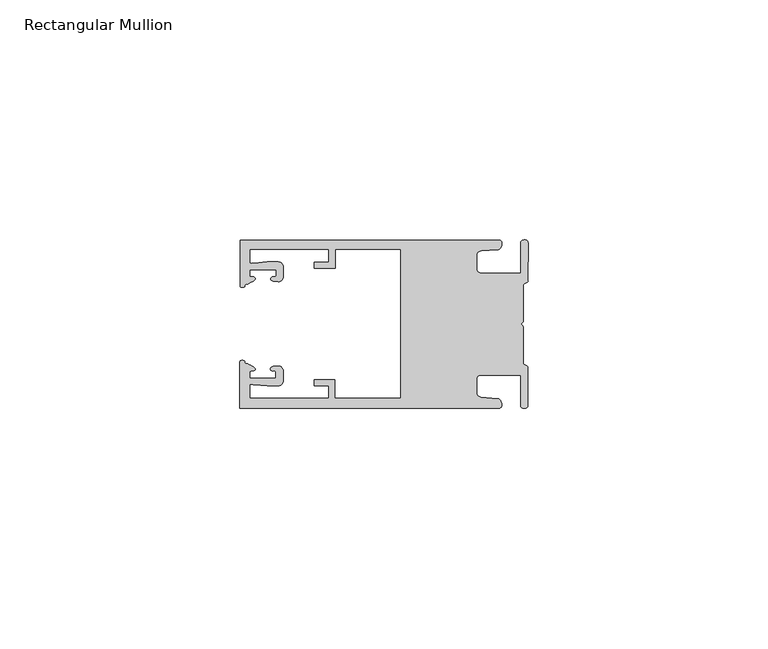
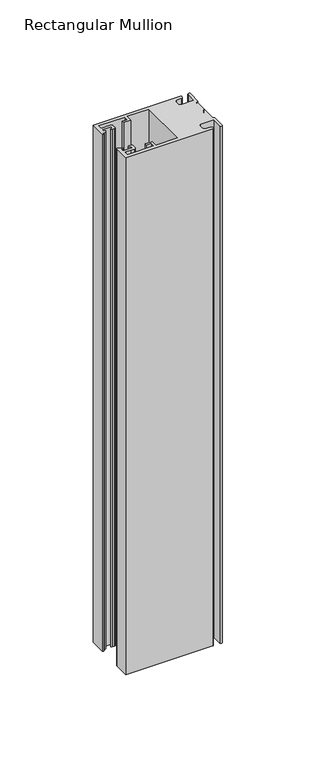
"""IFC4 building model written with IfcOpenShell, lengths in millimetres: member geometry, Rectangular Mullion."""

from ifc_helpers import new_model, si_unit, frame, origin, place, context, project, spatial, circle_curve, source, transform, mapped, element, save
from ifc_brep_helpers import plane_surface, cylinder_surface, extruded_surface, spline_curve, advanced_brep


def rectangular_mullion_0d8bb49c(model_context):
    return source(origin(), model_context, "Body", "AdvancedBrep", [
        advanced_brep(
        [(-60.0749377, 17.5111528, 0.0), (-60.0749377, 8.0140787, 0.0), (-59.3252567, 7.7187455, 0.0), (-58.4967974, 8.36785, 0.0), (-58.0726619, 10.1173923, 0.0), (-58.0713101, 11.3673916, 0.0), (-52.5713133, 11.3614437, 0.0), (-52.5726651, 10.1114444, 0.0), (-53.1427626, 8.8955539, 0.0), (-52.0740172, 8.8609044, 0.0), (-51.0729364, 9.8598224, 0.0), (-51.0706653, 11.9598211, 0.0), (-52.0700692, 12.9609024, 0.0), (-54.3905105, 12.9622843, 0.0), (-57.1599646, 12.7230061, 0.0), (-58.0696339, 12.9173907, 0.0), (-58.066768, 15.5673891, 0.0), (-41.5667584, 15.5673891, 0.0), (-41.5695894, 12.9495468, 0.0), (-44.5695877, 12.9527912, 0.0), (-44.5709936, 11.6527919, 0.0), (-40.2709961, 11.6481417, 0.0), (-40.2667576, 15.5673891, 0.0), (-26.6002952, 15.5673891, 0.0), (-26.6002952, -15.4518424, 0.0), (-40.3003032, -15.4518424, 0.0), (-40.2960856, -11.5518447, 0.0), (-44.5960831, -11.5471945, 0.0), (-44.597489, -12.8471938, 0.0), (-41.5974907, -12.8504381, 0.0), (-41.6003025, -15.4504366, 0.0), (-58.1002928, -15.4325927, 0.0), (-58.097427, -12.7825943, 0.0), (-57.1873395, -12.5901776, 0.0), (-54.4184094, -12.8354453, 0.0), (-52.0979705, -12.8390822, 0.0), (-51.0964037, -11.8401649, 0.0), (-51.0941327, -9.7401662, 0.0), (-52.0930507, -8.7390853, 0.0), (-53.1618685, -8.7714231, 0.0), (-52.5944022, -9.9885439, 0.0), (-52.595754, -11.2385431, 0.0), (-58.0957508, -11.2325952, 0.0), (-58.094399, -9.9825959, 0.0), (-58.5147494, -8.2321403, 0.0), (-59.3418028, -7.5812455, 0.0), (-60.0921208, -7.8749565, 0.0), (-60.0921208, -17.4888267, 0.0), (-6.1024861, -17.4888267, 0.0), (-6.5218639, -15.488372, 0.0), (-9.8784944, -15.2205466, 0.0), (-10.7989567, -14.2226333, 0.0), (-10.7961029, -11.5837474, 0.0), (-9.8734844, -10.5878272, 0.0), (-1.5950266, -10.5934991, 0.0), (-1.601948, -16.9936935, 0.0), (-0.1017194, -16.7830581, 0.0), (-0.0933208, -9.0170082, 0.0), (-1.0923837, -8.1499018, 0.0), (-1.0842165, -0.5977972, 0.0), (-1.0829111, 0.6093089, 0.0), (-1.0747439, 8.1614135, 0.0), (-0.0738079, 9.026357, 0.0), (-0.0654093, 16.7924069, 0.0), (-1.5651789, 17.0062866, 0.0), (-1.5651789, 10.6183257, 0.0), (-9.8505511, 10.6183257, 0.0), (-10.7710133, 11.6162391, 0.0), (-10.7681595, 14.255125, 0.0), (-9.845541, 15.2510452, 0.0), (-6.4883391, 15.5116099, 0.0), (-6.0646356, 17.5111528, 0.0), (-60.0749377, 17.5111528, -339.0), (-6.0646356, 17.5111528, -339.0), (-6.4883391, 15.5116099, -339.0), (-9.845541, 15.2510452, -339.0), (-10.7681595, 14.255125, -339.0), (-10.7710133, 11.6162391, -339.0), (-9.8505511, 10.6183257, -339.0), (-1.5651789, 10.6183257, -339.0), (-1.5651789, 17.0062866, -339.0), (-0.0654093, 16.7924069, -339.0), (-0.0738079, 9.026357, -339.0), (-1.0747439, 8.1614135, -339.0), (-1.0829111, 0.6093089, -339.0), (-1.0842165, -0.5977972, -339.0), (-1.0923837, -8.1499018, -339.0), (-0.0933208, -9.0170082, -339.0), (-0.1017194, -16.7830581, -339.0), (-1.601948, -16.9936935, -339.0), (-1.5950266, -10.5934991, -339.0), (-9.8734844, -10.5878272, -339.0), (-10.7961029, -11.5837474, -339.0), (-10.7989567, -14.2226333, -339.0), (-9.8784944, -15.2205466, -339.0), (-6.5218639, -15.488372, -339.0), (-6.1024861, -17.4888267, -339.0), (-60.0921208, -17.4888267, -339.0), (-60.0921208, -7.8749565, -339.0), (-59.3418028, -7.5812455, -339.0), (-58.5147494, -8.2321403, -339.0), (-58.094399, -9.9825959, -339.0), (-58.0957508, -11.2325952, -339.0), (-52.595754, -11.2385431, -339.0), (-52.5944022, -9.9885439, -339.0), (-53.1618685, -8.7714231, -339.0), (-52.0930507, -8.7390853, -339.0), (-51.0941327, -9.7401662, -339.0), (-51.0964037, -11.8401649, -339.0), (-52.0979705, -12.8390823, -339.0), (-54.4184094, -12.8354453, -339.0), (-57.1873395, -12.5901776, -339.0), (-58.097427, -12.7825943, -339.0), (-58.1002928, -15.4325927, -339.0), (-41.6003025, -15.4504366, -339.0), (-41.5974907, -12.8504381, -339.0), (-44.597489, -12.8471938, -339.0), (-44.5960831, -11.5471945, -339.0), (-40.2960856, -11.5518447, -339.0), (-40.3003032, -15.4518424, -339.0), (-26.6002952, -15.4518424, -339.0), (-26.6002952, 15.5673891, -339.0), (-40.2667576, 15.5673891, -339.0), (-40.2709961, 11.6481417, -339.0), (-44.5709936, 11.6527919, -339.0), (-44.5695877, 12.9527912, -339.0), (-41.5695894, 12.9495468, -339.0), (-41.5667584, 15.5673891, -339.0), (-58.066768, 15.5673891, -339.0), (-58.0696339, 12.9173907, -339.0), (-57.1599646, 12.7230061, -339.0), (-54.3905105, 12.9622843, -339.0), (-52.0700692, 12.9609023, -339.0), (-51.0706653, 11.9598211, -339.0), (-51.0729364, 9.8598224, -339.0), (-52.0740172, 8.8609044, -339.0), (-53.1427626, 8.8955539, -339.0), (-52.5726651, 10.1114444, -339.0), (-52.5713133, 11.3614437, -339.0), (-58.0713101, 11.3673916, -339.0), (-58.0726619, 10.1173923, -339.0), (-58.4967974, 8.36785, -339.0), (-59.3252567, 7.7187455, -339.0), (-60.0749377, 8.0140787, -339.0)],
        [
            (0, 1),
            (1, 2, spline_curve(3, [(-60.0749377, 8.0140787, 0.0), (-60.075233123, 7.740904774, 0.0), (-59.825339491, 7.642460332, 0.0), (-59.3252567, 7.7187455, 0.0)], [4, 4], [0.0, 0.0019169337574178654])),
            (2, 3, spline_curve(3, [(-59.3252567, 7.7187455, 0.0), (-59.094460914, 7.75918372, 0.0), (-59.054835463, 7.902257199, 0.0), (-59.05559987, 8.233305614, 0.0), (-59.138729113, 8.4134359, 0.0), (-58.4967974, 8.36785, 0.0)], [4, 2, 4], [0.0, 0.0010199524164107188, 0.0024874514725970356])),
            (3, 4, spline_curve(3, [(-58.4967974, 8.36785, 0.0), (-57.022393378, 9.053435667, 0.0), (-56.827266887, 9.364828726, 0.0), (-56.982213078, 9.742623404, 0.0), (-57.177375211, 9.855581791, 0.0), (-57.697928101, 9.887955071, 0.0), (-57.997449153, 9.835475348, 0.0), (-58.0726619, 10.1173923, 0.0)], [4, 2, 2, 4], [0.0, 0.003269869179570428, 0.005490050486237203, 0.0073545767114364426])),
            (4, 5),
            (5, 6),
            (6, 7),
            (7, 8, spline_curve(3, [(-52.5726651, 10.1114444, 0.0), (-52.667195519, 9.760172042, 0.0), (-52.937094388, 9.861877724, 0.0), (-53.356237032, 9.895631753, 0.0), (-53.491940439, 9.811038713, 0.0), (-53.761900775, 9.511438033, 0.0), (-53.892893546, 9.278787104, 0.0), (-53.1427626, 8.8955539, 0.0)], [4, 2, 2, 4], [0.0, 0.001593963049934732, 0.0033360256320283306, 0.005339140673503943])),
            (8, 9),
            (9, 10, circle_curve(frame((-52.0729358, 9.8609038, 0.0), z_axis=(0.0, 0.0, 1.0), x_axis=(-0.0010814451158600304, -0.9999994152380598, 0.0)), 1.0)),
            (10, 11),
            (11, 12, circle_curve(frame((-52.0706647, 11.9609026, 0.0), z_axis=(0.0, 0.0, 1.0), x_axis=(-0.0010814451158600304, -0.9999994152380598, 0.0)), 1.0)),
            (12, 13),
            (13, 14),
            (14, 15, spline_curve(3, [(-57.1599646, 12.7230061, 0.0), (-57.631533854, 12.682262968, 0.0), (-58.018602985, 12.477800124, 0.0), (-58.0696339, 12.9173907, 0.0)], [4, 4], [0.0, 0.0014803385355886016])),
            (15, 16),
            (16, 17),
            (17, 18),
            (18, 19),
            (19, 20),
            (20, 21),
            (21, 22),
            (22, 23),
            (23, 24),
            (24, 25),
            (25, 26),
            (26, 27),
            (27, 28),
            (28, 29),
            (29, 30),
            (30, 31),
            (31, 32),
            (32, 33, spline_curve(3, [(-58.097427, -12.7825943, 0.0), (-58.045445419, -12.343115126, 0.0), (-57.658819528, -12.548414611, 0.0), (-57.1873395, -12.5901776, 0.0)], [4, 4], [0.0, 0.0014803385355886016])),
            (33, 34),
            (34, 35),
            (35, 36, circle_curve(frame((-52.0964031, -11.8390835, 0.0), z_axis=(0.0, 0.0, 1.0), x_axis=(0.0010814451158600304, 0.9999994152380598, 0.0)), 1.0)),
            (36, 37),
            (37, 38, circle_curve(frame((-52.0941321, -9.7390847, 0.0), z_axis=(0.0, 0.0, 1.0), x_axis=(0.0010814451158600304, 0.9999994152380598, 0.0)), 1.0)),
            (38, 39),
            (39, 40, spline_curve(3, [(-53.1618685, -8.7714231, 0.0), (-53.912826582, -9.153032958, 0.0), (-53.782337352, -9.385966711, 0.0), (-53.51302565, -9.686150585, 0.0), (-53.377505444, -9.771037009, 0.0), (-52.958290774, -9.738189618, 0.0), (-52.688172635, -9.637067904, 0.0), (-52.5944022, -9.9885439, 0.0)], [4, 2, 2, 4], [0.0, 0.002003115041475612, 0.0037451776235692107, 0.005339140673503943])),
            (40, 41),
            (41, 42),
            (42, 43),
            (43, 44, spline_curve(3, [(-58.094399, -9.9825959, 0.0), (-58.018576674, -9.700842284, 0.0), (-57.719169706, -9.753969703, 0.0), (-57.198548014, -9.722722397, 0.0), (-57.003142178, -9.61018632, 0.0), (-56.847379222, -9.232727657, 0.0), (-57.041831673, -8.920913336, 0.0), (-58.5147494, -8.2321403, 0.0)], [4, 2, 2, 4], [0.0, 0.0018645262251992395, 0.004084707531866015, 0.0073545767114364426])),
            (44, 45, spline_curve(3, [(-58.5147494, -8.2321403, 0.0), (-59.156778208, -8.276337666, 0.0), (-59.073259494, -8.096387681, 0.0), (-59.071779067, -7.765341694, 0.0), (-59.111095017, -7.622182811, 0.0), (-59.3418028, -7.5812455, 0.0)], [4, 2, 4], [0.0, 0.0014674990561863168, 0.0024874514725970356])),
            (45, 46, spline_curve(3, [(-59.3418028, -7.5812455, 0.0), (-59.841719425, -7.503878887, 0.0), (-60.091825377, -7.601782574, 0.0), (-60.0921208, -7.8749565, 0.0)], [4, 4], [0.0, 0.0019169337574178654])),
            (46, 47),
            (47, 48),
            (48, 49, spline_curve(3, [(-6.1024861, -17.4888267, 0.0), (-5.074532184, -17.418062188, 0.0), (-5.631140689, -15.411414367, 0.0), (-6.5218639, -15.488372, 0.0)], [4, 4], [0.0, 0.0043819361547461745])),
            (49, 50),
            (50, 51, spline_curve(3, [(-9.8784944, -15.2205466, 0.0), (-10.440691543, -15.150698463, 0.0), (-10.74751234, -14.818060727, 0.0), (-10.7989567, -14.2226333, 0.0)], [4, 4], [0.0, 0.0028645797420738927])),
            (51, 52),
            (52, 53, spline_curve(3, [(-10.7961029, -11.5837474, 0.0), (-10.743370817, -10.988432634, 0.0), (-10.435831301, -10.656459204, 0.0), (-9.8734844, -10.5878272, 0.0)], [4, 4], [0.0, 0.0028645797420738927])),
            (53, 54),
            (54, 55),
            (55, 56, spline_curve(3, [(-1.601948, -16.9936935, 0.0), (-1.655676874, -17.600261454, 0.0), (-0.043737403, -17.912795581, 0.0), (-0.1017194, -16.7830581, 0.0)], [4, 4], [0.0, 0.0036987374396357936])),
            (56, 57),
            (57, 58, spline_curve(3, [(-0.0933208, -9.0170082, 0.0), (-0.018818183, -8.695886697, 0.0), (-1.193434327, -8.459763043, 0.0), (-1.0923837, -8.1499018, 0.0)], [4, 4], [0.0, 0.002027216749630121])),
            (58, 59),
            (59, 60, spline_curve(3, [(-1.0842165, -0.5977972, 0.0), (-1.013223198, -0.445980437, 0.0), (-1.487945123, -0.206736825, 0.0), (-1.487409651, 0.231097965, 0.0), (-0.999110985, 0.429090391, 0.0), (-1.0829111, 0.6093089, 0.0)], [4, 2, 4], [0.0, 0.00249866671847065, 0.005031402919736269])),
            (60, 61),
            (61, 62, spline_curve(3, [(-1.0747439, 8.1614135, 0.0), (-1.175124095, 8.47149258, 0.0), (-7e-09, 8.705075107, 0.0), (-0.0738079, 9.026357, 0.0)], [4, 4], [0.0, 0.002027216749630121])),
            (62, 63),
            (63, 64, spline_curve(3, [(-0.0654093, 16.7924069, 0.0), (-0.004983942, 17.92201633, 0.0), (-1.617595709, 17.612969344, 0.0), (-1.5651789, 17.0062866, 0.0)], [4, 4], [0.0, 0.0036987374396357936])),
            (64, 65),
            (65, 66),
            (66, 67, spline_curve(3, [(-9.8505511, 10.6183257, 0.0), (-10.412748243, 10.688173837, 0.0), (-10.71956894, 11.020811673, 0.0), (-10.7710133, 11.6162391, 0.0)], [4, 4], [0.0, 0.0028645797420738927])),
            (67, 68),
            (68, 69, spline_curve(3, [(-10.7681595, 14.255125, 0.0), (-10.715427417, 14.850439766, 0.0), (-10.407887901, 15.182413196, 0.0), (-9.845541, 15.2510452, 0.0)], [4, 4], [0.0, 0.0028645797420738927])),
            (69, 70),
            (70, 71, spline_curve(3, [(-6.4883391, 15.5116099, 0.0), (-5.597784423, 15.432725911, 0.0), (-5.036837144, 17.438165103, 0.0), (-6.0646356, 17.5111528, 0.0)], [4, 4], [0.0, 0.0043819361547461745])),
            (71, 0),
            (72, 73),
            (73, 74, spline_curve(3, [(-6.0646356, 17.5111528, -339.0), (-5.036837144, 17.438165103, -339.0), (-5.597784423, 15.432725911, -339.0), (-6.4883391, 15.5116099, -339.0)], [4, 4], [0.0, 0.0043819361547461745])),
            (74, 75),
            (75, 76, spline_curve(3, [(-9.845541, 15.2510452, -339.0), (-10.407887901, 15.182413196, -339.0), (-10.715427417, 14.850439766, -339.0), (-10.7681595, 14.255125, -339.0)], [4, 4], [0.0, 0.0028645797420738927])),
            (76, 77),
            (77, 78, spline_curve(3, [(-10.7710133, 11.6162391, -339.0), (-10.71956894, 11.020811673, -339.0), (-10.412748243, 10.688173837, -339.0), (-9.8505511, 10.6183257, -339.0)], [4, 4], [0.0, 0.0028645797420738927])),
            (78, 79),
            (79, 80),
            (80, 81, spline_curve(3, [(-1.5651789, 17.0062866, -339.0), (-1.617595709, 17.612969344, -339.0), (-0.004983942, 17.92201633, -339.0), (-0.0654093, 16.7924069, -339.0)], [4, 4], [0.0, 0.0036987374396357936])),
            (81, 82),
            (82, 83, spline_curve(3, [(-0.0738079, 9.026357, -339.0), (-7e-09, 8.705075107, -339.0), (-1.175124095, 8.47149258, -339.0), (-1.0747439, 8.1614135, -339.0)], [4, 4], [0.0, 0.002027216749630121])),
            (83, 84),
            (84, 85, spline_curve(3, [(-1.0829111, 0.6093089, -339.0), (-0.999110985, 0.429090391, -339.0), (-1.487409651, 0.231097965, -339.0), (-1.487945123, -0.206736825, -339.0), (-1.013223198, -0.445980437, -339.0), (-1.0842165, -0.5977972, -339.0)], [4, 2, 4], [0.0, 0.002532736201265619, 0.005031402919736269])),
            (85, 86),
            (86, 87, spline_curve(3, [(-1.0923837, -8.1499018, -339.0), (-1.193434327, -8.459763043, -339.0), (-0.018818183, -8.695886697, -339.0), (-0.0933208, -9.0170082, -339.0)], [4, 4], [0.0, 0.002027216749630121])),
            (87, 88),
            (88, 89, spline_curve(3, [(-0.1017194, -16.7830581, -339.0), (-0.043737403, -17.912795581, -339.0), (-1.655676874, -17.600261454, -339.0), (-1.601948, -16.9936935, -339.0)], [4, 4], [0.0, 0.0036987374396357936])),
            (89, 90),
            (90, 91),
            (91, 92, spline_curve(3, [(-9.8734844, -10.5878272, -339.0), (-10.435831301, -10.656459204, -339.0), (-10.743370817, -10.988432634, -339.0), (-10.7961029, -11.5837474, -339.0)], [4, 4], [0.0, 0.0028645797420738927])),
            (92, 93),
            (93, 94, spline_curve(3, [(-10.7989567, -14.2226333, -339.0), (-10.74751234, -14.818060727, -339.0), (-10.440691543, -15.150698463, -339.0), (-9.8784944, -15.2205466, -339.0)], [4, 4], [0.0, 0.0028645797420738927])),
            (94, 95),
            (95, 96, spline_curve(3, [(-6.5218639, -15.488372, -339.0), (-5.631140689, -15.411414367, -339.0), (-5.074532184, -17.418062188, -339.0), (-6.1024861, -17.4888267, -339.0)], [4, 4], [0.0, 0.0043819361547461745])),
            (96, 97),
            (97, 98),
            (98, 99, spline_curve(3, [(-60.0921208, -7.8749565, -339.0), (-60.091825377, -7.601782574, -339.0), (-59.841719425, -7.503878887, -339.0), (-59.3418028, -7.5812455, -339.0)], [4, 4], [0.0, 0.0019169337574178654])),
            (99, 100, spline_curve(3, [(-59.3418028, -7.5812455, -339.0), (-59.111095017, -7.622182811, -339.0), (-59.071779067, -7.765341694, -339.0), (-59.073259494, -8.096387681, -339.0), (-59.156778208, -8.276337666, -339.0), (-58.5147494, -8.2321403, -339.0)], [4, 2, 4], [0.0, 0.0010199524164107188, 0.0024874514725970356])),
            (100, 101, spline_curve(3, [(-58.5147494, -8.2321403, -339.0), (-57.041831673, -8.920913336, -339.0), (-56.847379222, -9.232727657, -339.0), (-57.003142178, -9.61018632, -339.0), (-57.198548014, -9.722722397, -339.0), (-57.719169706, -9.753969703, -339.0), (-58.018576674, -9.700842284, -339.0), (-58.094399, -9.9825959, -339.0)], [4, 2, 2, 4], [0.0, 0.003269869179570428, 0.005490050486237203, 0.0073545767114364426])),
            (101, 102),
            (102, 103),
            (103, 104),
            (104, 105, spline_curve(3, [(-52.5944022, -9.9885439, -339.0), (-52.688172635, -9.637067904, -339.0), (-52.958290774, -9.738189618, -339.0), (-53.377505444, -9.771037009, -339.0), (-53.51302565, -9.686150585, -339.0), (-53.782337352, -9.385966711, -339.0), (-53.912826582, -9.153032958, -339.0), (-53.1618685, -8.7714231, -339.0)], [4, 2, 2, 4], [0.0, 0.001593963049934732, 0.0033360256320283306, 0.005339140673503943])),
            (105, 106),
            (106, 107, circle_curve(frame((-52.0941321, -9.7390847, -339.0), z_axis=(0.0, 0.0, -1.0), x_axis=(0.0010814451158600304, 0.9999994152380598, 0.0)), 1.0)),
            (107, 108),
            (108, 109, circle_curve(frame((-52.0964031, -11.8390835, -339.0), z_axis=(0.0, 0.0, -1.0), x_axis=(0.0010814451158600304, 0.9999994152380598, 0.0)), 1.0)),
            (109, 110),
            (110, 111),
            (111, 112, spline_curve(3, [(-57.1873395, -12.5901776, -339.0), (-57.658819528, -12.548414611, -339.0), (-58.045445419, -12.343115126, -339.0), (-58.097427, -12.7825943, -339.0)], [4, 4], [0.0, 0.0014803385355886016])),
            (112, 113),
            (113, 114),
            (114, 115),
            (115, 116),
            (116, 117),
            (117, 118),
            (118, 119),
            (119, 120),
            (120, 121),
            (121, 122),
            (122, 123),
            (123, 124),
            (124, 125),
            (125, 126),
            (126, 127),
            (127, 128),
            (128, 129),
            (129, 130, spline_curve(3, [(-58.0696339, 12.9173907, -339.0), (-58.018602985, 12.477800124, -339.0), (-57.631533854, 12.682262968, -339.0), (-57.1599646, 12.7230061, -339.0)], [4, 4], [0.0, 0.0014803385355886016])),
            (130, 131),
            (131, 132),
            (132, 133, circle_curve(frame((-52.0706647, 11.9609026, -339.0), z_axis=(0.0, 0.0, -1.0), x_axis=(-0.0010814451158600304, -0.9999994152380598, 0.0)), 1.0)),
            (133, 134),
            (134, 135, circle_curve(frame((-52.0729358, 9.8609038, -339.0), z_axis=(0.0, 0.0, -1.0), x_axis=(-0.0010814451158600304, -0.9999994152380598, 0.0)), 1.0)),
            (135, 136),
            (136, 137, spline_curve(3, [(-53.1427626, 8.8955539, -339.0), (-53.892893546, 9.278787104, -339.0), (-53.761900775, 9.511438033, -339.0), (-53.491940439, 9.811038713, -339.0), (-53.356237032, 9.895631753, -339.0), (-52.937094388, 9.861877724, -339.0), (-52.667195519, 9.760172042, -339.0), (-52.5726651, 10.1114444, -339.0)], [4, 2, 2, 4], [0.0, 0.002003115041475612, 0.0037451776235692107, 0.005339140673503943])),
            (137, 138),
            (138, 139),
            (139, 140),
            (140, 141, spline_curve(3, [(-58.0726619, 10.1173923, -339.0), (-57.997449153, 9.835475348, -339.0), (-57.697928101, 9.887955071, -339.0), (-57.177375211, 9.855581791, -339.0), (-56.982213078, 9.742623404, -339.0), (-56.827266887, 9.364828726, -339.0), (-57.022393378, 9.053435667, -339.0), (-58.4967974, 8.36785, -339.0)], [4, 2, 2, 4], [0.0, 0.0018645262251992395, 0.004084707531866015, 0.0073545767114364426])),
            (141, 142, spline_curve(3, [(-58.4967974, 8.36785, -339.0), (-59.138729113, 8.4134359, -339.0), (-59.05559987, 8.233305614, -339.0), (-59.054835463, 7.902257199, -339.0), (-59.094460914, 7.75918372, -339.0), (-59.3252567, 7.7187455, -339.0)], [4, 2, 4], [0.0, 0.0014674990561863168, 0.0024874514725970356])),
            (142, 143, spline_curve(3, [(-59.3252567, 7.7187455, -339.0), (-59.825339491, 7.642460332, -339.0), (-60.075233123, 7.740904774, -339.0), (-60.0749377, 8.0140787, -339.0)], [4, 4], [0.0, 0.0019169337574178654])),
            (143, 72),
            (0, 72),
            (143, 1),
            (142, 2),
            (141, 3),
            (140, 4),
            (139, 5),
            (138, 6),
            (137, 7),
            (136, 8),
            (135, 9),
            (134, 10),
            (133, 11),
            (132, 12),
            (131, 13),
            (130, 14),
            (129, 15),
            (128, 16),
            (127, 17),
            (126, 18),
            (125, 19),
            (124, 20),
            (123, 21),
            (122, 22),
            (121, 23),
            (120, 24),
            (119, 25),
            (118, 26),
            (117, 27),
            (116, 28),
            (115, 29),
            (114, 30),
            (113, 31),
            (112, 32),
            (111, 33),
            (110, 34),
            (109, 35),
            (108, 36),
            (107, 37),
            (106, 38),
            (105, 39),
            (104, 40),
            (103, 41),
            (102, 42),
            (101, 43),
            (100, 44),
            (99, 45),
            (98, 46),
            (97, 47),
            (96, 48),
            (95, 49),
            (94, 50),
            (93, 51),
            (92, 52),
            (91, 53),
            (90, 54),
            (89, 55),
            (88, 56),
            (87, 57),
            (86, 58),
            (85, 59),
            (84, 60),
            (83, 61),
            (82, 62),
            (81, 63),
            (80, 64),
            (79, 65),
            (78, 66),
            (77, 67),
            (76, 68),
            (75, 69),
            (74, 70),
            (73, 71),
        ],
        [
            plane_surface(frame((0.0, -62.5853181, 0.0), z_axis=(0.0, 0.0, 1.0), x_axis=(-1.0, 0.0, 0.0))),
            plane_surface(frame((0.0, -62.5853181, -339.0), z_axis=(0.0, 0.0, -1.0), x_axis=(-1.0, 0.0, 0.0))),
            plane_surface(frame((-60.0749377, 17.5111528, 0.0), z_axis=(-1.0, 0.0, 0.0), x_axis=(0.0, 0.0, -1.0))),
            extruded_surface(spline_curve(3, [(-60.0749377, 8.0140787, -339.0), (-60.075233123, 7.740904774, -339.0), (-59.825339491, 7.642460332, -339.0), (-59.3252567, 7.7187455, -339.0)], [4, 4], [0.0, 0.0019169337574178654]), (0.0, 0.0, 339.0), 339.0),
            extruded_surface(spline_curve(3, [(-59.3252567, 7.7187455, -339.0), (-59.094460914, 7.75918372, -339.0), (-59.054835463, 7.902257199, -339.0), (-59.05559987, 8.233305614, -339.0), (-59.138729113, 8.4134359, -339.0), (-58.4967974, 8.36785, -339.0)], [4, 2, 4], [0.0, 0.0010199524164107188, 0.0024874514725970356]), (0.0, 0.0, 339.0), 339.0),
            extruded_surface(spline_curve(3, [(-58.4967974, 8.36785, -339.0), (-57.022393378, 9.053435667, -339.0), (-56.827266887, 9.364828726, -339.0), (-56.982213078, 9.742623404, -339.0), (-57.177375211, 9.855581791, -339.0), (-57.697928101, 9.887955071, -339.0), (-57.997449153, 9.835475348, -339.0), (-58.0726619, 10.1173923, -339.0)], [4, 2, 2, 4], [0.0, 0.003269869179570428, 0.005490050486237203, 0.0073545767114364426]), (0.0, 0.0, 339.0), 339.0),
            plane_surface(frame((-58.0726619, 10.1173923, 0.0), z_axis=(0.9999994152380598, -0.0010814451158634145, 0.0), x_axis=(0.0, 0.0, -1.0))),
            plane_surface(frame((-58.0713101, 11.3673916, 0.0), z_axis=(-0.0010814451158616418, -0.9999994152380598, 0.0), x_axis=(0.0, 0.0, -1.0))),
            plane_surface(frame((-52.5713133, 11.3614437, 0.0), z_axis=(-0.9999994152380598, 0.0010814451158643293, 0.0), x_axis=(0.0, 0.0, -1.0))),
            extruded_surface(spline_curve(3, [(-52.5726651, 10.1114444, -339.0), (-52.667195519, 9.760172042, -339.0), (-52.937094388, 9.861877724, -339.0), (-53.356237032, 9.895631753, -339.0), (-53.491940439, 9.811038713, -339.0), (-53.761900775, 9.511438033, -339.0), (-53.892893546, 9.278787104, -339.0), (-53.1427626, 8.8955539, -339.0)], [4, 2, 2, 4], [0.0, 0.001593963049934732, 0.0033360256320283306, 0.005339140673503943]), (0.0, 0.0, 339.0), 339.0),
            plane_surface(frame((-53.1427626, 8.8955539, 0.0), z_axis=(-0.032403661401520414, -0.9994748634797054, 0.0), x_axis=(0.0, 0.0, -1.0))),
            cylinder_surface(frame((-52.0729358, 9.8609038, 0.0), z_axis=(0.0, 0.0, 1.0000000000000002), x_axis=(-0.0010814451158600304, -0.9999994152380598, 0.0)), 1.0),
            plane_surface(frame((-51.0729364, 9.8598224, 0.0), z_axis=(0.9999994152380598, -0.001081445115864059, 0.0), x_axis=(0.0, 0.0, -1.0))),
            cylinder_surface(frame((-52.0706647, 11.9609026, 0.0), z_axis=(0.0, 0.0, 1.0000000000000002), x_axis=(-0.0010814451158600304, -0.9999994152380598, 0.0)), 1.0),
            plane_surface(frame((-52.0700692, 12.9609023, 0.0), z_axis=(0.0005955716436318007, 0.999999822647193, 0.0), x_axis=(0.0, 0.0, -1.0))),
            plane_surface(frame((-54.3905105, 12.9622843, 0.0), z_axis=(-0.08607836189159865, 0.9962883697073147, 0.0), x_axis=(0.0, 0.0, -1.0))),
            extruded_surface(spline_curve(3, [(-57.1599646, 12.7230061, -339.0), (-57.631533854, 12.682262968, -339.0), (-58.018602985, 12.477800124, -339.0), (-58.0696339, 12.9173907, -339.0)], [4, 4], [0.0, 0.0014803385355886016]), (0.0, 0.0, 339.0), 339.0),
            plane_surface(frame((-58.0696339, 12.9173907, 0.0), z_axis=(0.9999994152380598, -0.0010814451158629996, 0.0), x_axis=(0.0, 0.0, -1.0))),
            plane_surface(frame((-58.066768, 15.5673891, 0.0), z_axis=(0.0, -1.0, 0.0), x_axis=(0.0, 0.0, -1.0))),
            plane_surface(frame((-41.5667584, 15.5673891, 0.0), z_axis=(-0.9999994152380598, 0.0010814451158636304, 0.0), x_axis=(0.0, 0.0, -1.0))),
            plane_surface(frame((-41.5695894, 12.9495468, 0.0), z_axis=(0.0010814451158615687, 0.9999994152380598, 0.0), x_axis=(0.0, 0.0, -1.0))),
            plane_surface(frame((-44.5695877, 12.9527912, 0.0), z_axis=(-0.9999994152380598, 0.0010814451158626742, 0.0), x_axis=(0.0, 0.0, -1.0))),
            plane_surface(frame((-44.5709936, 11.6527919, 0.0), z_axis=(-0.001081445115861604, -0.9999994152380598, 0.0), x_axis=(0.0, 0.0, -1.0))),
            plane_surface(frame((-40.2709961, 11.6481417, 0.0), z_axis=(0.9999994152380598, -0.001081445115863507, 0.0), x_axis=(0.0, 0.0, -1.0))),
            plane_surface(frame((-40.2667576, 15.5673891, 0.0), z_axis=(0.0, -1.0, 0.0), x_axis=(0.0, 0.0, -1.0))),
            plane_surface(frame((-26.6002952, 15.5673891, 0.0), z_axis=(-1.0, 0.0, 0.0), x_axis=(0.0, 0.0, -1.0))),
            plane_surface(frame((-26.6002952, -15.4518424, 0.0), z_axis=(0.0, 1.0, 0.0), x_axis=(0.0, 0.0, -1.0))),
            plane_surface(frame((-40.3003032, -15.4518424, 0.0), z_axis=(0.9999994152380598, -0.0010814451158565538, 0.0), x_axis=(0.0, 0.0, -1.0))),
            plane_surface(frame((-40.2960856, -11.5518447, 0.0), z_axis=(0.0010814451158584568, 0.9999994152380598, 0.0), x_axis=(0.0, 0.0, -1.0))),
            plane_surface(frame((-44.5960831, -11.5471945, 0.0), z_axis=(-0.9999994152380598, 0.0010814451158573867, 0.0), x_axis=(0.0, 0.0, -1.0))),
            plane_surface(frame((-44.597489, -12.8471938, 0.0), z_axis=(-0.0010814451158584922, -0.9999994152380598, 0.0), x_axis=(0.0, 0.0, -1.0))),
            plane_surface(frame((-41.5974907, -12.8504381, 0.0), z_axis=(-0.9999994152380598, 0.0010814451158564305, 0.0), x_axis=(0.0, 0.0, -1.0))),
            plane_surface(frame((-41.6003025, -15.4504366, 0.0), z_axis=(0.0010814451158583872, 0.9999994152380598, 0.0), x_axis=(0.0, 0.0, -1.0))),
            plane_surface(frame((-58.1002928, -15.4325927, 0.0), z_axis=(0.9999994152380598, -0.0010814451158570612, 0.0), x_axis=(0.0, 0.0, -1.0))),
            extruded_surface(spline_curve(3, [(-58.097427, -12.7825943, -339.0), (-58.045445419, -12.343115126, -339.0), (-57.658819528, -12.548414611, -339.0), (-57.1873395, -12.5901776, -339.0)], [4, 4], [0.0, 0.0014803385355886016]), (0.0, 0.0, 339.0), 339.0),
            plane_surface(frame((-57.1873395, -12.5901776, 0.0), z_axis=(-0.0882330216729926, -0.9960998614026876, 0.0), x_axis=(0.0, 0.0, -1.0))),
            plane_surface(frame((-54.4184094, -12.8354453, 0.0), z_axis=(-0.0015673183327880543, -0.9999987717558677, 0.0), x_axis=(0.0, 0.0, -1.0))),
            cylinder_surface(frame((-52.0964031, -11.8390835, 0.0), z_axis=(0.0, 0.0, 1.0000000000000002), x_axis=(0.0010814451158600304, 0.9999994152380598, 0.0)), 1.0),
            plane_surface(frame((-51.0964037, -11.8401649, 0.0), z_axis=(0.9999994152380598, -0.001081445115856002, 0.0), x_axis=(0.0, 0.0, -1.0))),
            cylinder_surface(frame((-52.0941321, -9.7390847, 0.0), z_axis=(0.0, 0.0, 1.0000000000000002), x_axis=(0.0010814451158600304, 0.9999994152380598, 0.0)), 1.0),
            plane_surface(frame((-52.0930507, -8.7390853, 0.0), z_axis=(-0.030241832452872642, 0.9995426111826812, 0.0), x_axis=(0.0, 0.0, -1.0))),
            extruded_surface(spline_curve(3, [(-53.1618685, -8.7714231, -339.0), (-53.912826582, -9.153032958, -339.0), (-53.782337352, -9.385966711, -339.0), (-53.51302565, -9.686150585, -339.0), (-53.377505444, -9.771037009, -339.0), (-52.958290774, -9.738189618, -339.0), (-52.688172635, -9.637067904, -339.0), (-52.5944022, -9.9885439, -339.0)], [4, 2, 2, 4], [0.0, 0.002003115041475612, 0.0037451776235692107, 0.005339140673503943]), (0.0, 0.0, 339.0), 339.0),
            plane_surface(frame((-52.5944022, -9.9885439, 0.0), z_axis=(-0.9999994152380598, 0.0010814451158557316, 0.0), x_axis=(0.0, 0.0, -1.0))),
            plane_surface(frame((-52.595754, -11.2385431, 0.0), z_axis=(0.001081445115858419, 0.9999994152380598, 0.0), x_axis=(0.0, 0.0, -1.0))),
            plane_surface(frame((-58.0957508, -11.2325952, 0.0), z_axis=(0.9999994152380598, -0.0010814451158566464, 0.0), x_axis=(0.0, 0.0, -1.0))),
            extruded_surface(spline_curve(3, [(-58.094399, -9.9825959, -339.0), (-58.018576674, -9.700842284, -339.0), (-57.719169706, -9.753969703, -339.0), (-57.198548014, -9.722722397, -339.0), (-57.003142178, -9.61018632, -339.0), (-56.847379222, -9.232727657, -339.0), (-57.041831673, -8.920913336, -339.0), (-58.5147494, -8.2321403, -339.0)], [4, 2, 2, 4], [0.0, 0.0018645262251992395, 0.004084707531866015, 0.0073545767114364426]), (0.0, 0.0, 339.0), 339.0),
            extruded_surface(spline_curve(3, [(-58.5147494, -8.2321403, -339.0), (-59.156778208, -8.276337666, -339.0), (-59.073259494, -8.096387681, -339.0), (-59.071779067, -7.765341694, -339.0), (-59.111095017, -7.622182811, -339.0), (-59.3418028, -7.5812455, -339.0)], [4, 2, 4], [0.0, 0.0014674990561863168, 0.0024874514725970356]), (0.0, 0.0, 339.0), 339.0),
            extruded_surface(spline_curve(3, [(-59.3418028, -7.5812455, -339.0), (-59.841719425, -7.503878887, -339.0), (-60.091825377, -7.601782574, -339.0), (-60.0921208, -7.8749565, -339.0)], [4, 4], [0.0, 0.0019169337574178654]), (0.0, 0.0, 339.0), 339.0),
            plane_surface(frame((-60.0921208, -7.8749565, 0.0), z_axis=(-1.0, 0.0, 0.0), x_axis=(0.0, 0.0, -1.0))),
            plane_surface(frame((-60.0921208, -17.4888267, 0.0), z_axis=(0.0, -1.0, 0.0), x_axis=(0.0, 0.0, -1.0))),
            extruded_surface(spline_curve(3, [(-6.1024861, -17.4888267, -339.0), (-5.074532184, -17.418062188, -339.0), (-5.631140689, -15.411414367, -339.0), (-6.5218639, -15.488372, -339.0)], [4, 4], [0.0, 0.0043819361547461745]), (0.0, 0.0, 339.0), 339.0),
            plane_surface(frame((-6.5218639, -15.488372, 0.0), z_axis=(0.07953716124904908, 0.9968319015663789, 0.0), x_axis=(0.0, 0.0, -1.0))),
            extruded_surface(spline_curve(3, [(-9.8784944, -15.2205466, -339.0), (-10.440691543, -15.150698463, -339.0), (-10.74751234, -14.818060727, -339.0), (-10.7989567, -14.2226333, -339.0)], [4, 4], [0.0, 0.0028645797420738927]), (0.0, 0.0, 339.0), 339.0),
            plane_surface(frame((-10.7989567, -14.2226333, 0.0), z_axis=(0.9999994152380598, -0.0010814451158568247, 0.0), x_axis=(0.0, 0.0, -1.0))),
            extruded_surface(spline_curve(3, [(-10.7961029, -11.5837474, -339.0), (-10.743370817, -10.988432634, -339.0), (-10.435831301, -10.656459204, -339.0), (-9.8734844, -10.5878272, -339.0)], [4, 4], [0.0, 0.0028645797420738927]), (0.0, 0.0, 339.0), 339.0),
            plane_surface(frame((-9.8734844, -10.5878272, 0.0), z_axis=(-0.0006851371995361226, -0.9999997652934814, 0.0), x_axis=(0.0, 0.0, -1.0))),
            plane_surface(frame((-1.5950266, -10.5934991, 0.0), z_axis=(-0.9999994152380598, 0.0010814451158568644, 0.0), x_axis=(0.0, 0.0, -1.0))),
            extruded_surface(spline_curve(3, [(-1.601948, -16.9936935, -339.0), (-1.655676874, -17.600261454, -339.0), (-0.043737403, -17.912795581, -339.0), (-0.1017194, -16.7830581, -339.0)], [4, 4], [0.0, 0.0036987374396357936]), (0.0, 0.0, 339.0), 339.0),
            plane_surface(frame((-0.1017194, -16.7830581, 0.0), z_axis=(0.9999994152380598, -0.001081445115856699, 0.0), x_axis=(0.0, 0.0, -1.0))),
            extruded_surface(spline_curve(3, [(-0.0933208, -9.0170082, -339.0), (-0.018818183, -8.695886697, -339.0), (-1.193434327, -8.459763043, -339.0), (-1.0923837, -8.1499018, -339.0)], [4, 4], [0.0, 0.002027216749630121]), (0.0, 0.0, 339.0), 339.0),
            plane_surface(frame((-1.0923837, -8.1499018, 0.0), z_axis=(0.9999994152380598, -0.0010814451158566698, 0.0), x_axis=(0.0, 0.0, -1.0))),
            extruded_surface(spline_curve(3, [(-1.0842165, -0.5977972, -339.0), (-1.013223198, -0.445980437, -339.0), (-1.487945123, -0.206736825, -339.0), (-1.487409651, 0.231097965, -339.0), (-0.999110985, 0.429090391, -339.0), (-1.0829111, 0.6093089, -339.0)], [4, 2, 4], [0.0, 0.00249866671847065, 0.005031402919736269]), (0.0, 0.0, 339.0), 339.0),
            plane_surface(frame((-1.0829111, 0.6093089, 0.0), z_axis=(0.9999994152380598, -0.001081445115863391, 0.0), x_axis=(0.0, 0.0, -1.0))),
            extruded_surface(spline_curve(3, [(-1.0747439, 8.1614135, -339.0), (-1.175124095, 8.47149258, -339.0), (-7e-09, 8.705075107, -339.0), (-0.0738079, 9.026357, -339.0)], [4, 4], [0.0, 0.002027216749630121]), (0.0, 0.0, 339.0), 339.0),
            plane_surface(frame((-0.0738079, 9.026357, 0.0), z_axis=(0.9999994152380598, -0.001081445115863362, 0.0), x_axis=(0.0, 0.0, -1.0))),
            extruded_surface(spline_curve(3, [(-0.0654093, 16.7924069, -339.0), (-0.004983942, 17.92201633, -339.0), (-1.617595709, 17.612969344, -339.0), (-1.5651789, 17.0062866, -339.0)], [4, 4], [0.0, 0.0036987374396357936]), (0.0, 0.0, 339.0), 339.0),
            plane_surface(frame((-1.5651789, 17.0062866, 0.0), z_axis=(-1.0, 0.0, 0.0), x_axis=(0.0, 0.0, -1.0))),
            plane_surface(frame((-1.5651789, 10.6183257, 0.0), z_axis=(0.0, 1.0, 0.0), x_axis=(0.0, 0.0, -1.0))),
            extruded_surface(spline_curve(3, [(-9.8505511, 10.6183257, -339.0), (-10.412748243, 10.688173837, -339.0), (-10.71956894, 11.020811673, -339.0), (-10.7710133, 11.6162391, -339.0)], [4, 4], [0.0, 0.0028645797420738927]), (0.0, 0.0, 339.0), 339.0),
            plane_surface(frame((-10.7710133, 11.6162391, 0.0), z_axis=(0.9999994152380598, -0.0010814451158632362, 0.0), x_axis=(0.0, 0.0, -1.0))),
            extruded_surface(spline_curve(3, [(-10.7681595, 14.255125, -339.0), (-10.715427417, 14.850439766, -339.0), (-10.407887901, 15.182413196, -339.0), (-9.845541, 15.2510452, -339.0)], [4, 4], [0.0, 0.0028645797420738927]), (0.0, 0.0, 339.0), 339.0),
            plane_surface(frame((-9.845541, 15.2510452, 0.0), z_axis=(0.07738093848608862, -0.9970015999781607, 0.0), x_axis=(0.0, 0.0, -1.0))),
            extruded_surface(spline_curve(3, [(-6.4883391, 15.5116099, -339.0), (-5.597784423, 15.432725911, -339.0), (-5.036837144, 17.438165103, -339.0), (-6.0646356, 17.5111528, -339.0)], [4, 4], [0.0, 0.0043819361547461745]), (0.0, 0.0, 339.0), 339.0),
            plane_surface(frame((-6.0646356, 17.5111528, 0.0), z_axis=(0.0, 1.0, 0.0), x_axis=(0.0, 0.0, -1.0))),
        ],
        [
            (0, [[1, 2, 3, 4, 5, 6, 7, 8, 9, 10, 11, 12, 13, 14, 15, 16, 17, 18, 19, 20, 21, 22, 23, 24, 25, 26, 27, 28, 29, 30, 31, 32, 33, 34, 35, 36, 37, 38, 39, 40, 41, 42, 43, 44, 45, 46, 47, 48, 49, 50, 51, 52, 53, 54, 55, 56, 57, 58, 59, 60, 61, 62, 63, 64, 65, 66, 67, 68, 69, 70, 71, 72]]),
            (1, [[73, 74, 75, 76, 77, 78, 79, 80, 81, 82, 83, 84, 85, 86, 87, 88, 89, 90, 91, 92, 93, 94, 95, 96, 97, 98, 99, 100, 101, 102, 103, 104, 105, 106, 107, 108, 109, 110, 111, 112, 113, 114, 115, 116, 117, 118, 119, 120, 121, 122, 123, 124, 125, 126, 127, 128, 129, 130, 131, 132, 133, 134, 135, 136, 137, 138, 139, 140, 141, 142, 143, 144]]),
            (2, [[-1, 145, -144, 146]]),
            (3, [[-2, -146, -143, 147]]),
            (4, [[-3, -147, -142, 148]]),
            (5, [[-4, -148, -141, 149]]),
            (6, [[-5, -149, -140, 150]]),
            (7, [[-6, -150, -139, 151]]),
            (8, [[-7, -151, -138, 152]]),
            (9, [[-8, -152, -137, 153]]),
            (10, [[-9, -153, -136, 154]]),
            (11, [[-10, -154, -135, 155]]),
            (12, [[-11, -155, -134, 156]]),
            (13, [[-12, -156, -133, 157]]),
            (14, [[-13, -157, -132, 158]]),
            (15, [[-14, -158, -131, 159]]),
            (16, [[-15, -159, -130, 160]]),
            (17, [[-16, -160, -129, 161]]),
            (18, [[-17, -161, -128, 162]]),
            (19, [[-18, -162, -127, 163]]),
            (20, [[-19, -163, -126, 164]]),
            (21, [[-20, -164, -125, 165]]),
            (22, [[-21, -165, -124, 166]]),
            (23, [[-22, -166, -123, 167]]),
            (24, [[-23, -167, -122, 168]]),
            (25, [[-24, -168, -121, 169]]),
            (26, [[-25, -169, -120, 170]]),
            (27, [[-26, -170, -119, 171]]),
            (28, [[-27, -171, -118, 172]]),
            (29, [[-28, -172, -117, 173]]),
            (30, [[-29, -173, -116, 174]]),
            (31, [[-30, -174, -115, 175]]),
            (32, [[-31, -175, -114, 176]]),
            (33, [[-32, -176, -113, 177]]),
            (34, [[-33, -177, -112, 178]]),
            (35, [[-34, -178, -111, 179]]),
            (36, [[-35, -179, -110, 180]]),
            (37, [[-36, -180, -109, 181]]),
            (38, [[-37, -181, -108, 182]]),
            (39, [[-38, -182, -107, 183]]),
            (40, [[-39, -183, -106, 184]]),
            (41, [[-40, -184, -105, 185]]),
            (42, [[-41, -185, -104, 186]]),
            (43, [[-42, -186, -103, 187]]),
            (44, [[-43, -187, -102, 188]]),
            (45, [[-44, -188, -101, 189]]),
            (46, [[-45, -189, -100, 190]]),
            (47, [[-46, -190, -99, 191]]),
            (48, [[-47, -191, -98, 192]]),
            (49, [[-48, -192, -97, 193]]),
            (50, [[-49, -193, -96, 194]]),
            (51, [[-50, -194, -95, 195]]),
            (52, [[-51, -195, -94, 196]]),
            (53, [[-52, -196, -93, 197]]),
            (54, [[-53, -197, -92, 198]]),
            (55, [[-54, -198, -91, 199]]),
            (56, [[-55, -199, -90, 200]]),
            (57, [[-56, -200, -89, 201]]),
            (58, [[-57, -201, -88, 202]]),
            (59, [[-58, -202, -87, 203]]),
            (60, [[-59, -203, -86, 204]]),
            (61, [[-60, -204, -85, 205]]),
            (62, [[-61, -205, -84, 206]]),
            (63, [[-62, -206, -83, 207]]),
            (64, [[-63, -207, -82, 208]]),
            (65, [[-64, -208, -81, 209]]),
            (66, [[-65, -209, -80, 210]]),
            (67, [[-66, -210, -79, 211]]),
            (68, [[-67, -211, -78, 212]]),
            (69, [[-68, -212, -77, 213]]),
            (70, [[-69, -213, -76, 214]]),
            (71, [[-70, -214, -75, 215]]),
            (72, [[-71, -215, -74, 216]]),
            (73, [[-72, -216, -73, -145]]),
        ],
    ),
    ])


if __name__ == "__main__":
    model = new_model("IFC4")
    model_context = context("Model", 3, world=origin())
    ifc_project = project(units=[si_unit("LENGTHUNIT", "METRE", prefix="MILLI")], contexts=[model_context])
    site = spatial("IfcSite", under=ifc_project)
    building = spatial("IfcBuilding", under=site)
    placement = place(None, origin())
    rectangular_mullion_shape = rectangular_mullion_0d8bb49c(model_context)
    element("IfcMember", 1, ObjectType="Rectangular Mullion", at=placement, inside=building, context=model_context, shape_type="MappedRepresentation", body=[
        mapped(rectangular_mullion_shape, transform((0.0, 0.0, 0.0), x_axis=(1.0, 0.0, 0.0), y_axis=(0.0, 1.0, 0.0), z_axis=(0.0, 0.0, 1.0))),
    ])
    save(model, "model.ifc")
